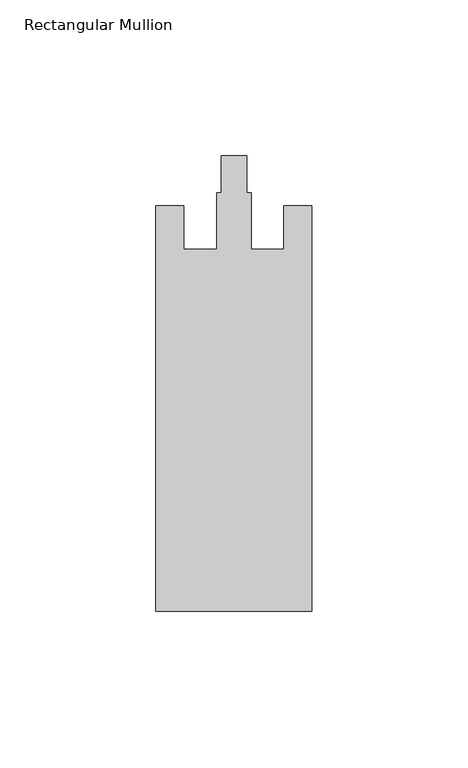
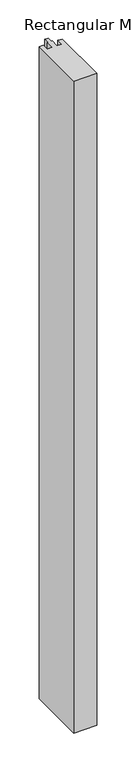
"""IFC4 building model written with IfcOpenShell, lengths in millimetres: member geometry, Rectangular Mullion."""

from ifc_helpers import new_model, si_unit, frame, origin, place, context, project, spatial, polyline, outline, extrude, source, transform, mapped, element, save


def rectangular_mullion_ae34f10a(model_context):
    return source(origin(), model_context, "Body", "SweptSolid", [
        extrude(outline(polyline([(25.0, -153.0), (-25.0, -153.0), (-25.0, -23.0), (-16.0, -23.0), (-16.0, -37.0), (-5.5, -37.0), (-5.5, -18.8), (-4.1, -18.8), (-4.1, -7.0), (4.1, -7.0), (4.1, -18.8), (5.5, -18.8), (5.5, -37.0), (16.0, -37.0), (16.0, -23.0), (25.0, -23.0), (25.0, -153.0)])), frame((0.0, 0.0, -1500.0), z_axis=(0.0, 0.0, 1.0), x_axis=(1.0, 0.0, 0.0)), (0.0, 0.0, 1.0), 1500.0),
    ])


if __name__ == "__main__":
    model = new_model("IFC4")
    model_context = context("Model", 3, world=origin())
    ifc_project = project(units=[si_unit("LENGTHUNIT", "METRE", prefix="MILLI")], contexts=[model_context])
    site = spatial("IfcSite", under=ifc_project)
    building = spatial("IfcBuilding", under=site)
    placement = place(None, origin())
    rectangular_mullion_shape = rectangular_mullion_ae34f10a(model_context)
    element("IfcMember", 1, ObjectType="Rectangular Mullion", at=placement, inside=building, context=model_context, shape_type="MappedRepresentation", body=[
        mapped(rectangular_mullion_shape, transform((0.0, 0.0, 0.0), x_axis=(1.0, 0.0, 0.0), y_axis=(0.0, 1.0, 0.0), z_axis=(0.0, 0.0, 1.0))),
    ])
    save(model, "model.ifc")
